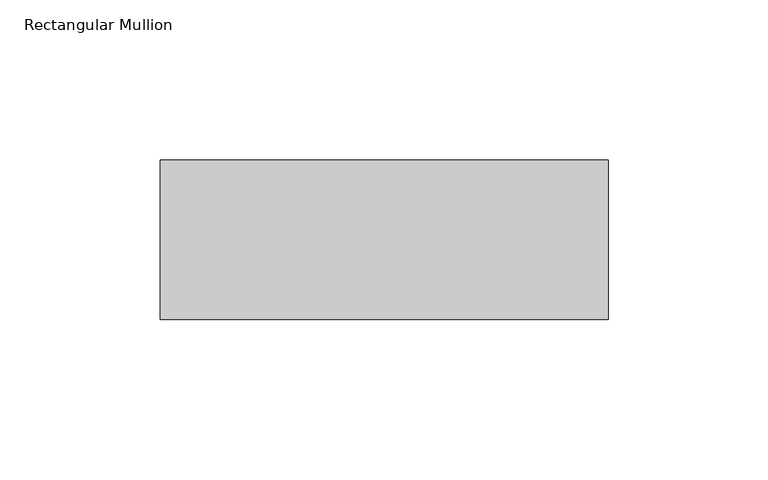
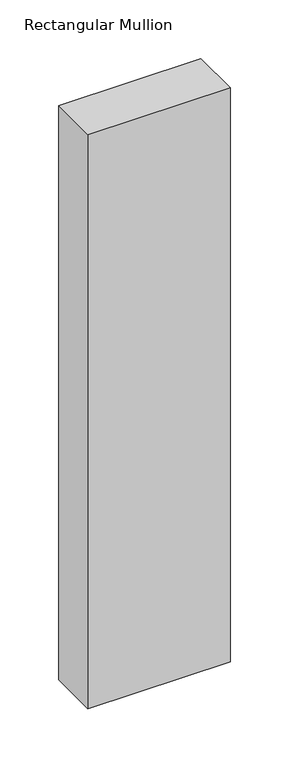
"""IFC4 building model written with IfcOpenShell, lengths in millimetres: member geometry, Rectangular Mullion."""

import ifcopenshell
import ifcopenshell.guid

model = None  # the IFC model being written
_history = None  # IfcOwnerHistory: only IFC2X3 demands one
_inside = {}  # id of a spatial element -> (the spatial element, [elements in it])
_under = {}  # id of a project, library or spatial element -> (it, [spatial elements below it])
_declared = {}  # id of a project -> (the project, [libraries it declares])
_typed = {}  # id of a type object -> (the type object, [elements of that type])
_made_of = {}  # id of a material, layer set ... -> (it, [elements and type objects made of it])


def new_model(schema):
    """Start an empty IFC model of exactly this schema.

    Asked for "IFC4X3", IfcOpenShell would pick the latest addendum, in which some entities
    have other attributes; the version numbers below select the first issue.
    IFC2X3 requires an IfcOwnerHistory on every rooted entity: one is made here for all.
    """
    global model, _history
    if schema == "IFC4X3":
        model = ifcopenshell.file(schema_version=(4, 3, 0, 0))
    else:
        model = ifcopenshell.file(schema=schema)
    _inside.clear()
    _under.clear()
    _declared.clear()
    _typed.clear()
    _made_of.clear()
    _history = None
    if model.schema == "IFC2X3":
        org = make("IfcOrganization", Name="unknown")
        user = make(
            "IfcPersonAndOrganization",
            ThePerson=make("IfcPerson", FamilyName="unknown"),
            TheOrganization=org,
        )
        app = make(
            "IfcApplication",
            ApplicationDeveloper=org,
            Version="unknown",
            ApplicationFullName="unknown",
            ApplicationIdentifier="unknown",
        )
        _history = make(
            "IfcOwnerHistory",
            OwningUser=user,
            OwningApplication=app,
            ChangeAction="ADDED",
            CreationDate=0,
        )
    return model


def make(cls, **values):
    """One entity of the class cls with the attributes given. An attribute that is None is left unset."""
    return model.create_entity(
        cls, **{name: value for name, value in values.items() if value is not None}
    )


def rooted(cls, **values):
    """An entity with a GlobalId (a new one), such as an element, a storey or a relation."""
    return make(cls, GlobalId=ifcopenshell.guid.new(), OwnerHistory=_history, **values)


def si_unit(unit_type, name, prefix=None):
    """IfcSIUnit, for example si_unit("LENGTHUNIT", "METRE", prefix="MILLI")."""
    return make("IfcSIUnit", UnitType=unit_type, Prefix=prefix, Name=name)


def assignment(units):
    """IfcUnitAssignment: the units of a project."""
    return None if units is None else make("IfcUnitAssignment", Units=units)


def point(xyz):
    """IfcCartesianPoint."""
    return None if xyz is None else make("IfcCartesianPoint", Coordinates=xyz)


def direction(xyz):
    """IfcDirection."""
    return None if xyz is None else make("IfcDirection", DirectionRatios=xyz)


def frame(location, z_axis=None, x_axis=None):
    """IfcAxis2Placement3D, a coordinate frame: its origin and axes. An axis left out is left unset."""
    return make(
        "IfcAxis2Placement3D",
        Location=point(location),
        Axis=direction(z_axis),
        RefDirection=direction(x_axis),
    )


def origin():
    """The frame at (0, 0, 0) with its axes left unset."""
    return frame((0.0, 0.0, 0.0))


def place(relative_to, where):
    """IfcLocalPlacement: puts the frame where relative to a parent placement (None: the world)."""
    return make(
        "IfcLocalPlacement", PlacementRelTo=relative_to, RelativePlacement=where
    )


def context(
    kind, dimensions, precision=None, world=None, true_north=None, identifier=None
):
    """IfcGeometricRepresentationContext, for example the 3D "Model" context."""
    return make(
        "IfcGeometricRepresentationContext",
        ContextIdentifier=identifier,
        ContextType=kind,
        CoordinateSpaceDimension=dimensions,
        Precision=precision,
        WorldCoordinateSystem=world,
        TrueNorth=true_north,
    )


def project(units=None, contexts=None):
    """IfcProject with its units and contexts."""
    return rooted(
        "IfcProject",
        Name="project",
        RepresentationContexts=contexts,
        UnitsInContext=assignment(units),
    )


def spatial(cls, under=None, at=None, **own):
    """A site, building, storey or space (cls), placed at a placement, below another one or the project."""
    s = rooted(cls, ObjectPlacement=at, **own)
    if under is not None:
        _under.setdefault(under.id(), (under, []))[1].append(s)
    return s


def polyline(points):
    """IfcPolyline through the points."""
    return make("IfcPolyline", Points=[point(p) for p in points])


def outline(outer, holes=None, kind="AREA"):
    """IfcArbitraryClosedProfileDef: a profile drawn as a closed curve; with holes, ...WithVoids."""
    if holes is None:
        return make("IfcArbitraryClosedProfileDef", ProfileType=kind, OuterCurve=outer)
    return make(
        "IfcArbitraryProfileDefWithVoids",
        ProfileType=kind,
        OuterCurve=outer,
        InnerCurves=holes,
    )


def extrude(swept, where, along, depth):
    """IfcExtrudedAreaSolid: the profile swept, set in the frame where, extruded along a direction by depth."""
    return make(
        "IfcExtrudedAreaSolid",
        SweptArea=swept,
        Position=where,
        ExtrudedDirection=direction(along),
        Depth=depth,
    )


def shape(context_of_items, identifier, shape_type, items):
    """IfcShapeRepresentation: the items that make up one representation, for example the "Body"."""
    return make(
        "IfcShapeRepresentation",
        ContextOfItems=context_of_items,
        RepresentationIdentifier=identifier,
        RepresentationType=shape_type,
        Items=items,
    )


def source(mapping_origin, context_of_items, identifier, shape_type, items):
    """IfcRepresentationMap: a shape defined once, which mapped items show again and again."""
    return make(
        "IfcRepresentationMap",
        MappingOrigin=mapping_origin,
        MappedRepresentation=shape(context_of_items, identifier, shape_type, items),
    )


def transform(
    local_origin,
    x_axis=None,
    y_axis=None,
    z_axis=None,
    scale=None,
    scale2=None,
    scale3=None,
    uniform=True,
):
    """IfcCartesianTransformationOperator3D, or its non-uniform kind. x_axis, y_axis, z_axis: its Axis1, 2, 3."""
    if uniform:
        return make(
            "IfcCartesianTransformationOperator3D",
            Axis1=direction(x_axis),
            Axis2=direction(y_axis),
            LocalOrigin=point(local_origin),
            Scale=scale,
            Axis3=direction(z_axis),
        )
    return make(
        "IfcCartesianTransformationOperator3DnonUniform",
        Axis1=direction(x_axis),
        Axis2=direction(y_axis),
        LocalOrigin=point(local_origin),
        Scale=scale,
        Axis3=direction(z_axis),
        Scale2=scale2,
        Scale3=scale3,
    )


def mapped(mapping_source, mapping_target):
    """IfcMappedItem: shows the shape of a source again, moved by a transform."""
    return make(
        "IfcMappedItem", MappingSource=mapping_source, MappingTarget=mapping_target
    )


def made_of(thing, what):
    """Note that an element or type object is made of a material, layer set ...; save() writes the relation."""
    if what is not None:
        _made_of.setdefault(what.id(), (what, []))[1].append(thing)
    return thing


def element(
    cls,
    number,
    at=None,
    inside=None,
    cuts=None,
    type_object=None,
    material=None,
    context=None,
    identifier="Body",
    shape_type=None,
    held_by="IfcProductDefinitionShape",
    body=None,
    shapes=None,
    **own,
):
    """One element of the class cls, such as IfcWall. Its Tag is "e" and its number.

    at: its placement. inside: the storey or other place that contains it. cuts: it is an
    opening in that element (IfcRelVoidsElement). A single representation is given by context,
    identifier, shape_type and body (its items); several are given by shapes. held_by: the class
    of the entity that holds the representations. save() writes the other relations.
    """
    e = rooted(cls, Tag="e%d" % number, ObjectPlacement=at, **own)
    if body is not None:
        shapes = [shape(context, identifier, shape_type, body)]
    if shapes is not None:
        e.Representation = make(held_by, Representations=shapes)
    if inside is not None:
        _inside.setdefault(inside.id(), (inside, []))[1].append(e)
    if cuts is not None:
        rooted(
            "IfcRelVoidsElement", RelatingBuildingElement=cuts, RelatedOpeningElement=e
        )
    if type_object is not None:
        _typed.setdefault(type_object.id(), (type_object, []))[1].append(e)
    return made_of(e, material)


def aggregate(whole, parts):
    """IfcRelAggregates: a whole, such as a stair, and the parts it consists of."""
    return rooted("IfcRelAggregates", RelatingObject=whole, RelatedObjects=parts)


def save(model, path):
    """Write the relations noted so far, then the file.

    IfcRelAggregates (storeys below a building ...), IfcRelContainedInSpatialStructure (elements
    in a storey), IfcRelDefinesByType, IfcRelAssociatesMaterial and IfcRelDeclares: one each for
    every whole, place, type object, material and project.
    """
    for whole, parts in _under.values():
        aggregate(whole, parts)
    for where, things in _inside.values():
        rooted(
            "IfcRelContainedInSpatialStructure",
            RelatedElements=things,
            RelatingStructure=where,
        )
    for kind, things in _typed.values():
        rooted("IfcRelDefinesByType", RelatedObjects=things, RelatingType=kind)
    for what, things in _made_of.values():
        rooted("IfcRelAssociatesMaterial", RelatedObjects=things, RelatingMaterial=what)
    for by, libraries in _declared.values():
        rooted("IfcRelDeclares", RelatingContext=by, RelatedDefinitions=libraries)
    model.write(path)


def rectangular_mullion_59f7b23d(model_context):
    return source(origin(), model_context, "Body", "SweptSolid", [
        extrude(outline(polyline([(0.0, 59.0), (0.0, 9.0), (-140.0, 9.0), (-140.0, 59.0), (0.0, 59.0)])), frame((0.0, 0.0, -598.3333331), z_axis=(0.0, 0.0, 1.0), x_axis=(1.0, 0.0, 0.0)), (0.0, 0.0, 1.0), 598.3333331),
    ])


if __name__ == "__main__":
    model = new_model("IFC4")
    model_context = context("Model", 3, world=origin())
    ifc_project = project(units=[si_unit("LENGTHUNIT", "METRE", prefix="MILLI")], contexts=[model_context])
    site = spatial("IfcSite", under=ifc_project)
    building = spatial("IfcBuilding", under=site)
    placement = place(None, origin())
    rectangular_mullion_shape = rectangular_mullion_59f7b23d(model_context)
    element("IfcMember", 1, ObjectType="Rectangular Mullion", at=placement, inside=building, context=model_context, shape_type="MappedRepresentation", body=[
        mapped(rectangular_mullion_shape, transform((0.0, 0.0, 0.0), x_axis=(1.0, 0.0, 0.0), y_axis=(0.0, 1.0, 0.0), z_axis=(0.0, 0.0, 1.0))),
    ])
    save(model, "model.ifc")
